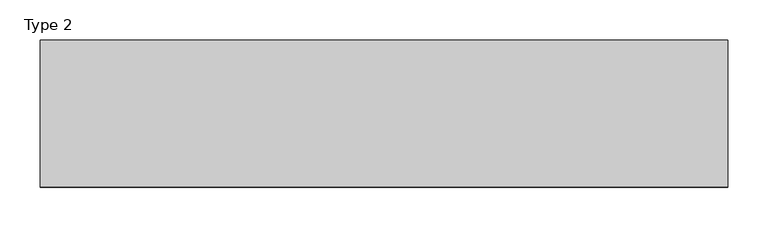
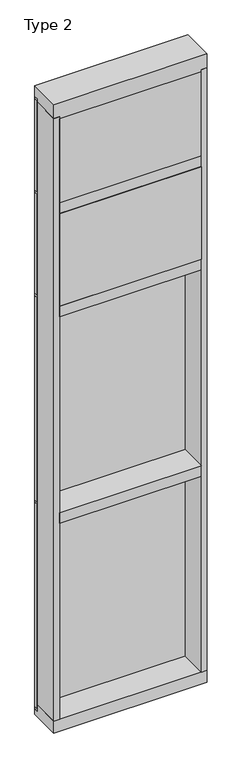
"""IFC4 building model written with IfcOpenShell, lengths in millimetres: plate geometry, Type 2."""

import ifcopenshell
import ifcopenshell.guid

model = None  # the IFC model being written
_history = None  # IfcOwnerHistory: only IFC2X3 demands one
_inside = {}  # id of a spatial element -> (the spatial element, [elements in it])
_under = {}  # id of a project, library or spatial element -> (it, [spatial elements below it])
_declared = {}  # id of a project -> (the project, [libraries it declares])
_typed = {}  # id of a type object -> (the type object, [elements of that type])
_made_of = {}  # id of a material, layer set ... -> (it, [elements and type objects made of it])


def new_model(schema):
    """Start an empty IFC model of exactly this schema.

    Asked for "IFC4X3", IfcOpenShell would pick the latest addendum, in which some entities
    have other attributes; the version numbers below select the first issue.
    IFC2X3 requires an IfcOwnerHistory on every rooted entity: one is made here for all.
    """
    global model, _history
    if schema == "IFC4X3":
        model = ifcopenshell.file(schema_version=(4, 3, 0, 0))
    else:
        model = ifcopenshell.file(schema=schema)
    _inside.clear()
    _under.clear()
    _declared.clear()
    _typed.clear()
    _made_of.clear()
    _history = None
    if model.schema == "IFC2X3":
        org = make("IfcOrganization", Name="unknown")
        user = make(
            "IfcPersonAndOrganization",
            ThePerson=make("IfcPerson", FamilyName="unknown"),
            TheOrganization=org,
        )
        app = make(
            "IfcApplication",
            ApplicationDeveloper=org,
            Version="unknown",
            ApplicationFullName="unknown",
            ApplicationIdentifier="unknown",
        )
        _history = make(
            "IfcOwnerHistory",
            OwningUser=user,
            OwningApplication=app,
            ChangeAction="ADDED",
            CreationDate=0,
        )
    return model


def make(cls, **values):
    """One entity of the class cls with the attributes given. An attribute that is None is left unset."""
    return model.create_entity(
        cls, **{name: value for name, value in values.items() if value is not None}
    )


def rooted(cls, **values):
    """An entity with a GlobalId (a new one), such as an element, a storey or a relation."""
    return make(cls, GlobalId=ifcopenshell.guid.new(), OwnerHistory=_history, **values)


def si_unit(unit_type, name, prefix=None):
    """IfcSIUnit, for example si_unit("LENGTHUNIT", "METRE", prefix="MILLI")."""
    return make("IfcSIUnit", UnitType=unit_type, Prefix=prefix, Name=name)


def assignment(units):
    """IfcUnitAssignment: the units of a project."""
    return None if units is None else make("IfcUnitAssignment", Units=units)


def point(xyz):
    """IfcCartesianPoint."""
    return None if xyz is None else make("IfcCartesianPoint", Coordinates=xyz)


def direction(xyz):
    """IfcDirection."""
    return None if xyz is None else make("IfcDirection", DirectionRatios=xyz)


def frame(location, z_axis=None, x_axis=None):
    """IfcAxis2Placement3D, a coordinate frame: its origin and axes. An axis left out is left unset."""
    return make(
        "IfcAxis2Placement3D",
        Location=point(location),
        Axis=direction(z_axis),
        RefDirection=direction(x_axis),
    )


def origin():
    """The frame at (0, 0, 0) with its axes left unset."""
    return frame((0.0, 0.0, 0.0))


def place(relative_to, where):
    """IfcLocalPlacement: puts the frame where relative to a parent placement (None: the world)."""
    return make(
        "IfcLocalPlacement", PlacementRelTo=relative_to, RelativePlacement=where
    )


def context(
    kind, dimensions, precision=None, world=None, true_north=None, identifier=None
):
    """IfcGeometricRepresentationContext, for example the 3D "Model" context."""
    return make(
        "IfcGeometricRepresentationContext",
        ContextIdentifier=identifier,
        ContextType=kind,
        CoordinateSpaceDimension=dimensions,
        Precision=precision,
        WorldCoordinateSystem=world,
        TrueNorth=true_north,
    )


def project(units=None, contexts=None):
    """IfcProject with its units and contexts."""
    return rooted(
        "IfcProject",
        Name="project",
        RepresentationContexts=contexts,
        UnitsInContext=assignment(units),
    )


def spatial(cls, under=None, at=None, **own):
    """A site, building, storey or space (cls), placed at a placement, below another one or the project."""
    s = rooted(cls, ObjectPlacement=at, **own)
    if under is not None:
        _under.setdefault(under.id(), (under, []))[1].append(s)
    return s


def polyline(points):
    """IfcPolyline through the points."""
    return make("IfcPolyline", Points=[point(p) for p in points])


def outline(outer, holes=None, kind="AREA"):
    """IfcArbitraryClosedProfileDef: a profile drawn as a closed curve; with holes, ...WithVoids."""
    if holes is None:
        return make("IfcArbitraryClosedProfileDef", ProfileType=kind, OuterCurve=outer)
    return make(
        "IfcArbitraryProfileDefWithVoids",
        ProfileType=kind,
        OuterCurve=outer,
        InnerCurves=holes,
    )


def extrude(swept, where, along, depth):
    """IfcExtrudedAreaSolid: the profile swept, set in the frame where, extruded along a direction by depth."""
    return make(
        "IfcExtrudedAreaSolid",
        SweptArea=swept,
        Position=where,
        ExtrudedDirection=direction(along),
        Depth=depth,
    )


def shape(context_of_items, identifier, shape_type, items):
    """IfcShapeRepresentation: the items that make up one representation, for example the "Body"."""
    return make(
        "IfcShapeRepresentation",
        ContextOfItems=context_of_items,
        RepresentationIdentifier=identifier,
        RepresentationType=shape_type,
        Items=items,
    )


def source(mapping_origin, context_of_items, identifier, shape_type, items):
    """IfcRepresentationMap: a shape defined once, which mapped items show again and again."""
    return make(
        "IfcRepresentationMap",
        MappingOrigin=mapping_origin,
        MappedRepresentation=shape(context_of_items, identifier, shape_type, items),
    )


def transform(
    local_origin,
    x_axis=None,
    y_axis=None,
    z_axis=None,
    scale=None,
    scale2=None,
    scale3=None,
    uniform=True,
):
    """IfcCartesianTransformationOperator3D, or its non-uniform kind. x_axis, y_axis, z_axis: its Axis1, 2, 3."""
    if uniform:
        return make(
            "IfcCartesianTransformationOperator3D",
            Axis1=direction(x_axis),
            Axis2=direction(y_axis),
            LocalOrigin=point(local_origin),
            Scale=scale,
            Axis3=direction(z_axis),
        )
    return make(
        "IfcCartesianTransformationOperator3DnonUniform",
        Axis1=direction(x_axis),
        Axis2=direction(y_axis),
        LocalOrigin=point(local_origin),
        Scale=scale,
        Axis3=direction(z_axis),
        Scale2=scale2,
        Scale3=scale3,
    )


def mapped(mapping_source, mapping_target):
    """IfcMappedItem: shows the shape of a source again, moved by a transform."""
    return make(
        "IfcMappedItem", MappingSource=mapping_source, MappingTarget=mapping_target
    )


def made_of(thing, what):
    """Note that an element or type object is made of a material, layer set ...; save() writes the relation."""
    if what is not None:
        _made_of.setdefault(what.id(), (what, []))[1].append(thing)
    return thing


def element(
    cls,
    number,
    at=None,
    inside=None,
    cuts=None,
    type_object=None,
    material=None,
    context=None,
    identifier="Body",
    shape_type=None,
    held_by="IfcProductDefinitionShape",
    body=None,
    shapes=None,
    **own,
):
    """One element of the class cls, such as IfcWall. Its Tag is "e" and its number.

    at: its placement. inside: the storey or other place that contains it. cuts: it is an
    opening in that element (IfcRelVoidsElement). A single representation is given by context,
    identifier, shape_type and body (its items); several are given by shapes. held_by: the class
    of the entity that holds the representations. save() writes the other relations.
    """
    e = rooted(cls, Tag="e%d" % number, ObjectPlacement=at, **own)
    if body is not None:
        shapes = [shape(context, identifier, shape_type, body)]
    if shapes is not None:
        e.Representation = make(held_by, Representations=shapes)
    if inside is not None:
        _inside.setdefault(inside.id(), (inside, []))[1].append(e)
    if cuts is not None:
        rooted(
            "IfcRelVoidsElement", RelatingBuildingElement=cuts, RelatedOpeningElement=e
        )
    if type_object is not None:
        _typed.setdefault(type_object.id(), (type_object, []))[1].append(e)
    return made_of(e, material)


def aggregate(whole, parts):
    """IfcRelAggregates: a whole, such as a stair, and the parts it consists of."""
    return rooted("IfcRelAggregates", RelatingObject=whole, RelatedObjects=parts)


def save(model, path):
    """Write the relations noted so far, then the file.

    IfcRelAggregates (storeys below a building ...), IfcRelContainedInSpatialStructure (elements
    in a storey), IfcRelDefinesByType, IfcRelAssociatesMaterial and IfcRelDeclares: one each for
    every whole, place, type object, material and project.
    """
    for whole, parts in _under.values():
        aggregate(whole, parts)
    for where, things in _inside.values():
        rooted(
            "IfcRelContainedInSpatialStructure",
            RelatedElements=things,
            RelatingStructure=where,
        )
    for kind, things in _typed.values():
        rooted("IfcRelDefinesByType", RelatedObjects=things, RelatingType=kind)
    for what, things in _made_of.values():
        rooted("IfcRelAssociatesMaterial", RelatedObjects=things, RelatingMaterial=what)
    for by, libraries in _declared.values():
        rooted("IfcRelDeclares", RelatingContext=by, RelatedDefinitions=libraries)
    model.write(path)


def type_2_ef68bee3(model_context):
    return source(origin(), model_context, "Body", "SweptSolid", [
        extrude(outline(polyline([(428.625, 27.6881517), (428.625, 11.2982336), (415.9260892, 11.2982336), (415.9260892, 27.6881517), (428.625, 27.6881517)])), frame((0.0, 0.0, 1225.55), z_axis=(0.0, 0.0, 1.0), x_axis=(1.0, 0.0, 0.0)), (0.0, 0.0, 1.0), 1206.5),
        extrude(outline(polyline([(-415.9260892, 27.6881517), (-415.9260892, 11.2982336), (-428.625, 11.2982336), (-428.625, 27.6881517), (-415.9260892, 27.6881517)])), frame((0.0, 0.0, 1225.55), z_axis=(0.0, 0.0, 1.0), x_axis=(1.0, 0.0, 0.0)), (0.0, 0.0, 1.0), 1206.5),
        extrude(outline(polyline([(415.9260892, 27.686), (415.9260892, 2.286), (-415.9260892, 2.286), (-415.9260892, 27.686), (415.9260892, 27.686)])), frame((0.0, 0.0, 1225.55), z_axis=(0.0, 0.0, 1.0), x_axis=(1.0, 0.0, 0.0)), (0.0, 0.0, 1.0), 1206.5),
        extrude(outline(polyline([(428.625, 27.686), (428.625, 6.35), (-428.625, 6.35), (-428.625, 27.686), (428.625, 27.686)])), frame((0.0, 0.0, 2432.05), z_axis=(0.0, 0.0, 1.0), x_axis=(1.0, 0.0, 0.0)), (0.0, 0.0, 1.0), 12.7),
        extrude(outline(polyline([(396.8760892, -48.6409999), (396.8760892, -156.32684), (-396.875, -156.32684), (-396.875, -48.6409999), (396.8760892, -48.6409999)])), frame((0.0, 0.0, 2470.15), z_axis=(0.0, 0.0, 1.0), x_axis=(1.0, 0.0, 0.0)), (0.0, 0.0, 1.0), 546.1993556),
        extrude(outline(polyline([(428.625, 27.686), (428.625, 6.35), (-428.625, 6.35), (-428.625, 27.686), (428.625, 27.686)])), frame((0.0, 0.0, 3041.65), z_axis=(0.0, 0.0, 1.0), x_axis=(1.0, 0.0, 0.0)), (0.0, 0.0, 1.0), 12.7),
        extrude(outline(polyline([(428.625, 27.6881517), (428.625, 11.2982336), (415.9260892, 11.2982336), (415.9260892, 27.6881517), (428.625, 27.6881517)])), frame((0.0, 0.0, 2444.75), z_axis=(0.0, 0.0, 1.0), x_axis=(1.0, 0.0, 0.0)), (0.0, 0.0, 1.0), 596.9),
        extrude(outline(polyline([(-415.9260892, 27.6881517), (-415.9260892, 11.2982336), (-428.625, 11.2982336), (-428.625, 27.6881517), (-415.9260892, 27.6881517)])), frame((0.0, 0.0, 2444.75), z_axis=(0.0, 0.0, 1.0), x_axis=(1.0, 0.0, 0.0)), (0.0, 0.0, 1.0), 596.9),
        extrude(outline(polyline([(415.9260892, 27.686), (415.9260892, 2.286), (-415.9260892, 2.286), (-415.9260892, 27.686), (415.9260892, 27.686)])), frame((0.0, 0.0, 2444.75), z_axis=(0.0, 0.0, 1.0), x_axis=(1.0, 0.0, 0.0)), (0.0, 0.0, 1.0), 596.9),
        extrude(outline(polyline([(-428.625, -155.9814), (-428.625, 2.286), (-396.875, 2.286), (-396.875, -155.9814), (-428.625, -155.9814)])), frame((0.0, 0.0, 31.75), z_axis=(0.0, 0.0, 1.0), x_axis=(1.0, 0.0, 0.0)), (0.0, 0.0, 1.0), 3556.0),
        extrude(outline(polyline([(428.625, -155.9814), (396.875, -155.9814), (396.875, 2.286), (428.625, 2.286), (428.625, -155.9814)])), frame((0.0, 0.0, 31.75), z_axis=(0.0, 0.0, 1.0), x_axis=(1.0, 0.0, 0.0)), (0.0, 0.0, 1.0), 3556.0),
        extrude(outline(polyline([(396.8760892, -48.6409999), (396.8760892, -156.32684), (-396.875, -156.32684), (-396.875, -48.6409999), (396.8760892, -48.6409999)])), frame((0.0, 0.0, 3079.75), z_axis=(0.0, 0.0, 1.0), x_axis=(1.0, 0.0, 0.0)), (0.0, 0.0, 1.0), 495.3984372),
        extrude(outline(polyline([(428.625, 27.686), (428.625, 6.35), (-428.625, 6.35), (-428.625, 27.686), (428.625, 27.686)])), frame((0.0, 0.0, 3594.1), z_axis=(0.0, 0.0, 1.0), x_axis=(1.0, 0.0, 0.0)), (0.0, 0.0, 1.0), 12.7),
        extrude(outline(polyline([(428.625, 27.6881517), (428.625, 11.2982336), (415.9260892, 11.2982336), (415.9260892, 27.6881517), (428.625, 27.6881517)])), frame((0.0, 0.0, 3054.35), z_axis=(0.0, 0.0, 1.0), x_axis=(1.0, 0.0, 0.0)), (0.0, 0.0, 1.0), 539.75),
        extrude(outline(polyline([(-415.9260892, 27.6881517), (-415.9260892, 11.2982336), (-428.625, 11.2982336), (-428.625, 27.6881517), (-415.9260892, 27.6881517)])), frame((0.0, 0.0, 3054.35), z_axis=(0.0, 0.0, 1.0), x_axis=(1.0, 0.0, 0.0)), (0.0, 0.0, 1.0), 539.75),
        extrude(outline(polyline([(415.9260892, 27.686), (415.9260892, 2.286), (-415.9260892, 2.286), (-415.9260892, 27.686), (415.9260892, 27.686)])), frame((0.0, 0.0, 3054.35), z_axis=(0.0, 0.0, 1.0), x_axis=(1.0, 0.0, 0.0)), (0.0, 0.0, 1.0), 539.75),
        extrude(outline(polyline([(428.625, 27.6881517), (428.625, 11.2982336), (415.9260892, 11.2982336), (415.9260892, 27.6881517), (428.625, 27.6881517)])), frame((0.0, 0.0, 6.35), z_axis=(0.0, 0.0, 1.0), x_axis=(1.0, 0.0, 0.0)), (0.0, 0.0, 1.0), 1206.5),
        extrude(outline(polyline([(-415.9260892, 27.6881517), (-415.9260892, 11.2982336), (-428.625, 11.2982336), (-428.625, 27.6881517), (-415.9260892, 27.6881517)])), frame((0.0, 0.0, 6.35), z_axis=(0.0, 0.0, 1.0), x_axis=(1.0, 0.0, 0.0)), (0.0, 0.0, 1.0), 1206.5),
        extrude(outline(polyline([(415.9260892, 27.686), (415.9260892, 2.286), (-415.9260892, 2.286), (-415.9260892, 27.686), (415.9260892, 27.686)])), frame((0.0, 0.0, 6.35), z_axis=(0.0, 0.0, 1.0), x_axis=(1.0, 0.0, 0.0)), (0.0, 0.0, 1.0), 1206.5),
        extrude(outline(polyline([(428.625, 27.686), (428.625, 6.35), (-428.625, 6.35), (-428.625, 27.686), (428.625, 27.686)])), frame((0.0, 0.0, 1212.85), z_axis=(0.0, 0.0, 1.0), x_axis=(1.0, 0.0, 0.0)), (0.0, 0.0, 1.0), 12.7),
        extrude(outline(polyline([(-396.875, -155.4734), (-396.875, 2.286), (396.875, 2.286), (396.875, -155.4734), (-396.875, -155.4734)])), frame((0.0, 0.0, 1187.45), z_axis=(0.0, 0.0, 1.0), x_axis=(1.0, 0.0, 0.0)), (0.0, 0.0, 1.0), 63.5),
        extrude(outline(polyline([(-396.875, -155.4734), (-396.875, 2.286), (396.875, 2.286), (396.875, -155.4734), (-396.875, -155.4734)])), frame((0.0, 0.0, 2406.65), z_axis=(0.0, 0.0, 1.0), x_axis=(1.0, 0.0, 0.0)), (0.0, 0.0, 1.0), 63.5),
        extrude(outline(polyline([(-428.625, 5.0946564), (-428.625, 27.6881517), (428.625, 27.6881517), (428.625, 5.0946564), (-428.625, 5.0946564)])), frame((0.0, 0.0, -6.2984797), z_axis=(0.0, 0.0, 1.0), x_axis=(1.0, 0.0, 0.0)), (0.0, 0.0, 1.0), 12.6484797),
        extrude(outline(polyline([(27.686, 3670.3), (27.686, 3606.8000642), (2.286, 3606.8000642), (2.286, 3575.0500939), (-155.4734, 3575.0500939), (-155.4734, 3670.3), (27.686, 3670.3)])), frame((-428.625, 0.0, 0.0), z_axis=(1.0, 0.0, 0.0), x_axis=(0.0, 1.0, 0.0)), (0.0, 0.0, 1.0), 857.25),
        extrude(outline(polyline([(-396.875, -155.4734), (-396.875, 2.2859999), (396.875, 2.2859999), (396.875, -155.4734), (-396.875, -155.4734)])), frame((0.0, 0.0, 3016.25), z_axis=(0.0, 0.0, 1.0), x_axis=(1.0, 0.0, 0.0)), (0.0, 0.0, 1.0), 63.5),
        extrude(outline(polyline([(2.2859999, 31.75), (2.2859999, -6.2983857), (27.6858239, -6.2983857), (27.6858239, -38.1), (-155.6004, -38.1), (-155.6004, 31.75), (2.2859999, 31.75)])), frame((-428.625, 0.0, 0.0), z_axis=(1.0, 0.0, 0.0), x_axis=(0.0, 1.0, 0.0)), (0.0, 0.0, 1.0), 857.25),
    ])


if __name__ == "__main__":
    model = new_model("IFC4")
    model_context = context("Model", 3, world=origin())
    ifc_project = project(units=[si_unit("LENGTHUNIT", "METRE", prefix="MILLI")], contexts=[model_context])
    site = spatial("IfcSite", under=ifc_project)
    building = spatial("IfcBuilding", under=site)
    placement = place(None, origin())
    type_2_shape = type_2_ef68bee3(model_context)
    element("IfcPlate", 1, ObjectType="Type 2", at=placement, inside=building, context=model_context, shape_type="MappedRepresentation", body=[
        mapped(type_2_shape, transform((0.0, 0.0, 0.0), x_axis=(1.0, 0.0, 0.0), y_axis=(0.0, 1.0, 0.0), z_axis=(0.0, 0.0, 1.0))),
    ])
    save(model, "model.ifc")
